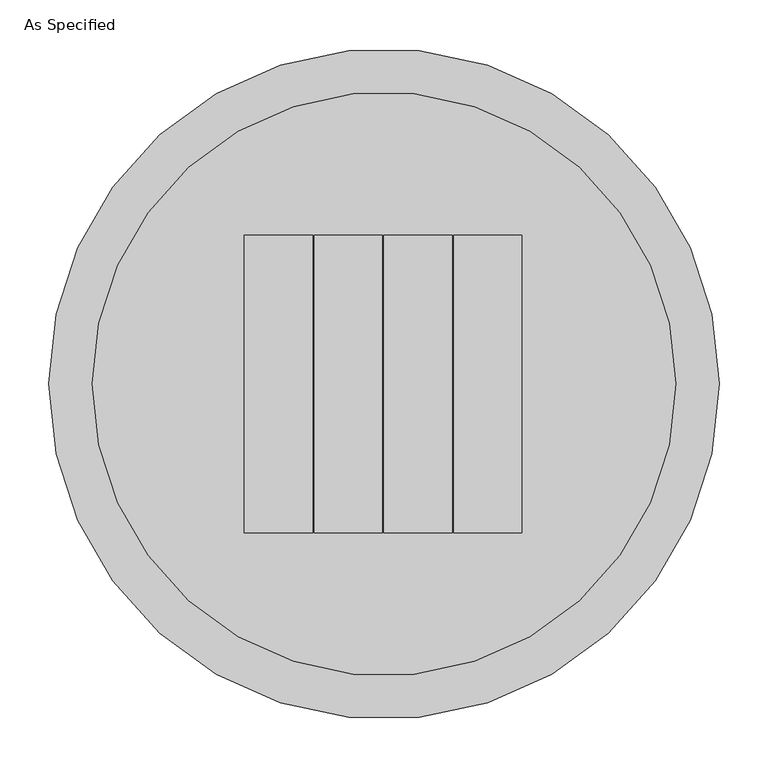
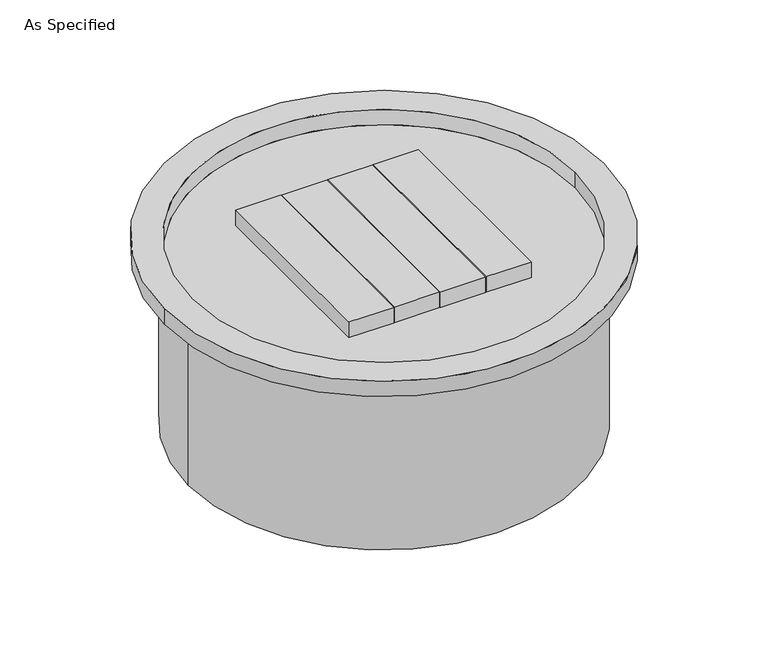
"""IFC4 building model written with IfcOpenShell, lengths in millimetres: proxy geometry, As Specified."""

from ifc_helpers import new_model, si_unit, frame, origin, place, context, project, spatial, polyline, circle_curve, source, transform, mapped, element, save
from ifc_brep_helpers import plane_surface, cylinder_surface, revolved_surface, advanced_brep


def as_specified_5c803eef(model_context):
    return source(origin(), model_context, "Body", "AdvancedBrep", [
        advanced_brep(
        [(342.9, 0.0, 25.4), (-342.9, 0.0, 25.4), (298.45, 0.0, 25.4), (-298.45, 0.0, 25.4), (-142.7479982, 152.4000019, 25.4), (-142.7479982, -152.4000019, 25.4), (-72.8980005, -152.4000019, 25.4), (-72.8980005, 152.4000019, 25.4), (141.2239969, -152.4000019, 25.4), (141.2239969, 152.4000019, 25.4), (71.3739991, 152.4000019, 25.4), (71.3739991, -152.4000019, 25.4), (-71.3739991, -152.4000019, 25.4), (-1.524, -152.4000019, 25.4), (-1.524, 152.4000019, 25.4), (-71.3739991, 152.4000019, 25.4), (0.0, -152.4000019, 25.4), (69.8499978, -152.4000019, 25.4), (69.8499978, 152.4000019, 25.4), (0.0, 152.4000019, 25.4), (342.9, 0.0, 0.0), (-342.9, 0.0, 0.0), (-304.8, 0.0, 0.0), (304.8, 0.0, 0.0), (298.45, 0.0, 0.0), (-298.45, 0.0, 0.0), (-142.7479982, 152.4000019, 0.0), (-142.7479982, -152.4000019, 0.0), (141.2239969, -152.4000019, 0.0), (141.2239969, 152.4000019, 0.0), (-72.8980005, -152.4000019, 0.0), (-72.8980005, 152.4000019, 0.0), (71.3739991, 152.4000019, 0.0), (71.3739991, -152.4000019, 0.0), (-71.3739991, -152.4000019, 0.0), (-1.524, -152.4000019, 0.0), (-1.524, 152.4000019, 0.0), (-71.3739991, 152.4000019, 0.0), (0.0, -152.4000019, 0.0), (69.8499978, -152.4000019, 0.0), (69.8499978, 152.4000019, 0.0), (0.0, 152.4000019, 0.0), (-304.8, 0.0, -279.4), (304.8, 0.0, -279.4)],
        [
            (0, 1, circle_curve(frame((0.0, 0.0, 25.4), z_axis=(0.0, 0.0, 1.0), x_axis=(-1.0, 0.0, 0.0)), 342.9)),
            (1, 0, circle_curve(frame((0.0, 0.0, 25.4), z_axis=(0.0, 0.0, 1.0), x_axis=(-1.0, 0.0, 0.0)), 342.9)),
            (2, 3, circle_curve(frame((0.0, 0.0, 25.4), z_axis=(0.0, 0.0, -1.0), x_axis=(-1.0, 0.0, 0.0)), 298.45)),
            (3, 2, circle_curve(frame((0.0, 0.0, 25.4), z_axis=(0.0, 0.0, -1.0), x_axis=(-1.0, 0.0, 0.0)), 298.45)),
            (4, 5),
            (5, 6),
            (6, 7),
            (7, 4),
            (8, 9),
            (9, 10),
            (10, 11),
            (11, 8),
            (12, 13),
            (13, 14),
            (14, 15),
            (15, 12),
            (16, 17),
            (17, 18),
            (18, 19),
            (19, 16),
            (20, 21, circle_curve(frame((0.0, 0.0, 0.0), z_axis=(0.0, 0.0, -1.0), x_axis=(-1.0, 0.0, 0.0)), 342.9)),
            (21, 20, circle_curve(frame((0.0, 0.0, 0.0), z_axis=(0.0, 0.0, -1.0), x_axis=(-1.0, 0.0, 0.0)), 342.9)),
            (22, 23, circle_curve(frame((0.0, 0.0, 0.0), z_axis=(0.0, 0.0, 1.0), x_axis=(-1.0, 0.0, 0.0)), 304.8)),
            (23, 22, circle_curve(frame((0.0, 0.0, 0.0), z_axis=(0.0, 0.0, 1.0), x_axis=(-1.0, 0.0, 0.0)), 304.8)),
            (0, 20),
            (21, 1),
            (2, 24),
            (24, 25, circle_curve(frame((0.0, 0.0, 0.0), z_axis=(0.0, 0.0, -1.0), x_axis=(-1.0, 0.0, 0.0)), 298.45)),
            (25, 3),
            (25, 24, circle_curve(frame((0.0, 0.0, 0.0), z_axis=(0.0, 0.0, -1.0), x_axis=(-1.0, 0.0, 0.0)), 298.45)),
            (4, 26),
            (26, 27),
            (27, 5),
            (8, 28),
            (28, 29),
            (29, 9),
            (27, 30),
            (30, 6),
            (30, 31),
            (31, 7),
            (31, 26),
            (29, 32),
            (32, 10),
            (32, 33),
            (33, 11),
            (33, 28),
            (12, 34),
            (34, 35),
            (35, 13),
            (35, 36),
            (36, 14),
            (36, 37),
            (37, 15),
            (37, 34),
            (16, 38),
            (38, 39),
            (39, 17),
            (39, 40),
            (40, 18),
            (40, 41),
            (41, 19),
            (41, 38),
            (42, 43, circle_curve(frame((0.0, 0.0, -279.4), z_axis=(0.0, 0.0, -1.0), x_axis=(-1.0, 0.0, 0.0)), 304.8)),
            (43, 42, circle_curve(frame((0.0, 0.0, -279.4), z_axis=(0.0, 0.0, -1.0), x_axis=(-1.0, 0.0, 0.0)), 304.8)),
            (43, 23),
            (22, 42),
        ],
        [
            plane_surface(frame((-342.9, 0.0, 25.4), z_axis=(0.0, 0.0, 1.0), x_axis=(0.0, -1.0, 0.0))),
            plane_surface(frame((-342.9, 0.0, 0.0), z_axis=(0.0, 0.0, -1.0), x_axis=(0.0, 1.0, 0.0))),
            cylinder_surface(frame((0.0, 0.0, 0.0), z_axis=(0.0, 0.0, 1.0), x_axis=(-1.0, 0.0, 0.0)), 342.9),
            revolved_surface(polyline([(-298.45, 0.0, 0.0), (-298.45, 0.0, 25.4)]), (0.0, 0.0, 0.0), (0.0, 0.0, -1.0)),
            plane_surface(frame((-142.7479982, 152.4000019, 25.4), z_axis=(-1.0, 0.0, 0.0), x_axis=(0.0, 0.0, -1.0))),
            plane_surface(frame((141.2239969, -152.4000019, 25.4), z_axis=(1.0, 0.0, 0.0), x_axis=(0.0, 0.0, -1.0))),
            plane_surface(frame((-142.7479982, -152.4000019, 25.4), z_axis=(0.0, -1.0, 0.0), x_axis=(0.0, 0.0, -1.0))),
            plane_surface(frame((-72.8980005, -152.4000019, 25.4), z_axis=(1.0, 0.0, 0.0), x_axis=(0.0, 0.0, -1.0))),
            plane_surface(frame((-72.8980005, 152.4000019, 25.4), z_axis=(0.0, 1.0, 0.0), x_axis=(0.0, 0.0, -1.0))),
            plane_surface(frame((141.2239969, 152.4000019, 25.4), z_axis=(0.0, 1.0, 0.0), x_axis=(0.0, 0.0, -1.0))),
            plane_surface(frame((71.3739991, 152.4000019, 25.4), z_axis=(-1.0, 0.0, 0.0), x_axis=(0.0, 0.0, -1.0))),
            plane_surface(frame((71.3739991, -152.4000019, 25.4), z_axis=(0.0, -1.0, 0.0), x_axis=(0.0, 0.0, -1.0))),
            plane_surface(frame((-71.3739991, -152.4000019, 25.4), z_axis=(0.0, -1.0, 0.0), x_axis=(0.0, 0.0, -1.0))),
            plane_surface(frame((-1.524, -152.4000019, 25.4), z_axis=(1.0, 0.0, 0.0), x_axis=(0.0, 0.0, -1.0))),
            plane_surface(frame((-1.524, 152.4000019, 25.4), z_axis=(0.0, 1.0, 0.0), x_axis=(0.0, 0.0, -1.0))),
            plane_surface(frame((-71.3739991, 152.4000019, 25.4), z_axis=(-1.0, 0.0, 0.0), x_axis=(0.0, 0.0, -1.0))),
            plane_surface(frame((0.0, -152.4000019, 25.4), z_axis=(0.0, -1.0, 0.0), x_axis=(0.0, 0.0, -1.0))),
            plane_surface(frame((69.8499978, -152.4000019, 25.4), z_axis=(1.0, 0.0, 0.0), x_axis=(0.0, 0.0, -1.0))),
            plane_surface(frame((69.8499978, 152.4000019, 25.4), z_axis=(0.0, 1.0, 0.0), x_axis=(0.0, 0.0, -1.0))),
            plane_surface(frame((0.0, 152.4000019, 25.4), z_axis=(-1.0, 0.0, 0.0), x_axis=(0.0, 0.0, -1.0))),
            plane_surface(frame((-304.8, 0.0, -279.4), z_axis=(0.0, 0.0, -1.0), x_axis=(0.0, 1.0, 0.0))),
            plane_surface(frame((-304.8, 0.0, 0.0), z_axis=(0.0, 0.0, 1.0), x_axis=(0.0, -1.0, 0.0))),
            cylinder_surface(frame((0.0, 0.0, -279.4), z_axis=(0.0, 0.0, 1.0), x_axis=(-1.0, 0.0, 0.0)), 304.8),
        ],
        [
            (0, [[1, 2], [3, 4]]),
            (0, [[5, 6, 7, 8]]),
            (0, [[9, 10, 11, 12]]),
            (0, [[13, 14, 15, 16]]),
            (0, [[17, 18, 19, 20]]),
            (1, [[21, 22], [23, 24]]),
            (2, [[-1, 25, -22, 26]]),
            (2, [[-2, -26, -21, -25]]),
            (3, [[-3, 27, 28, 29]]),
            (3, [[-4, -29, 30, -27]]),
            (4, [[-5, 31, 32, 33]]),
            (5, [[-9, 34, 35, 36]]),
            (6, [[-6, -33, 37, 38]]),
            (7, [[-7, -38, 39, 40]]),
            (8, [[-8, -40, 41, -31]]),
            (9, [[-10, -36, 42, 43]]),
            (10, [[-11, -43, 44, 45]]),
            (11, [[-12, -45, 46, -34]]),
            (12, [[-13, 47, 48, 49]]),
            (13, [[-14, -49, 50, 51]]),
            (14, [[-15, -51, 52, 53]]),
            (15, [[-16, -53, 54, -47]]),
            (16, [[-17, 55, 56, 57]]),
            (17, [[-18, -57, 58, 59]]),
            (18, [[-19, -59, 60, 61]]),
            (19, [[-20, -61, 62, -55]]),
            (20, [[63, 64]]),
            (21, [[-28, -30], [-32, -41, -39, -37], [-35, -46, -44, -42], [-48, -54, -52, -50], [-56, -62, -60, -58]]),
            (22, [[-64, 65, -23, 66]]),
            (22, [[-63, -66, -24, -65]]),
        ],
    ),
    ])


if __name__ == "__main__":
    model = new_model("IFC4")
    model_context = context("Model", 3, world=origin())
    ifc_project = project(units=[si_unit("LENGTHUNIT", "METRE", prefix="MILLI")], contexts=[model_context])
    site = spatial("IfcSite", under=ifc_project)
    building = spatial("IfcBuilding", under=site)
    placement = place(None, origin())
    as_specified_shape = as_specified_5c803eef(model_context)
    element("IfcBuildingElementProxy", 1, Name="As Specified", ObjectType="As Specified", at=placement, inside=building, context=model_context, shape_type="MappedRepresentation", body=[
        mapped(as_specified_shape, transform((0.0, 0.0, 0.0), x_axis=(1.0, 0.0, 0.0), y_axis=(0.0, 1.0, 0.0), z_axis=(0.0, 0.0, 1.0))),
    ])
    save(model, "model.ifc")
